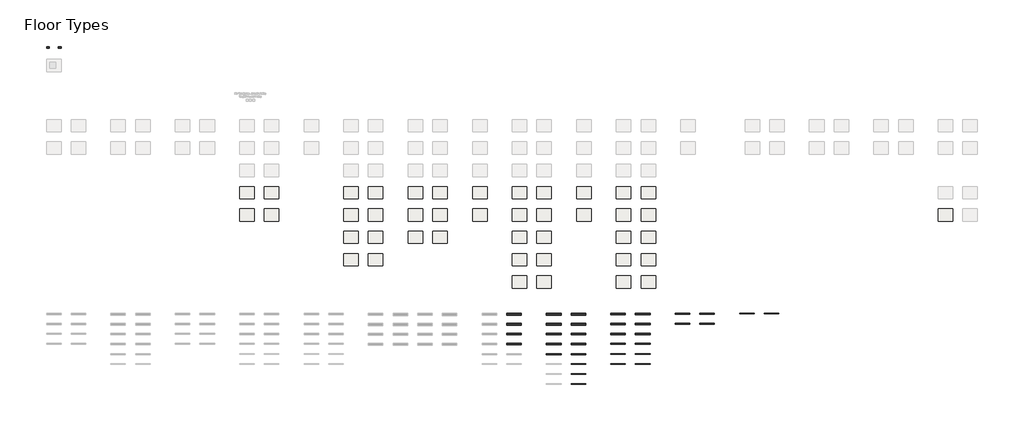
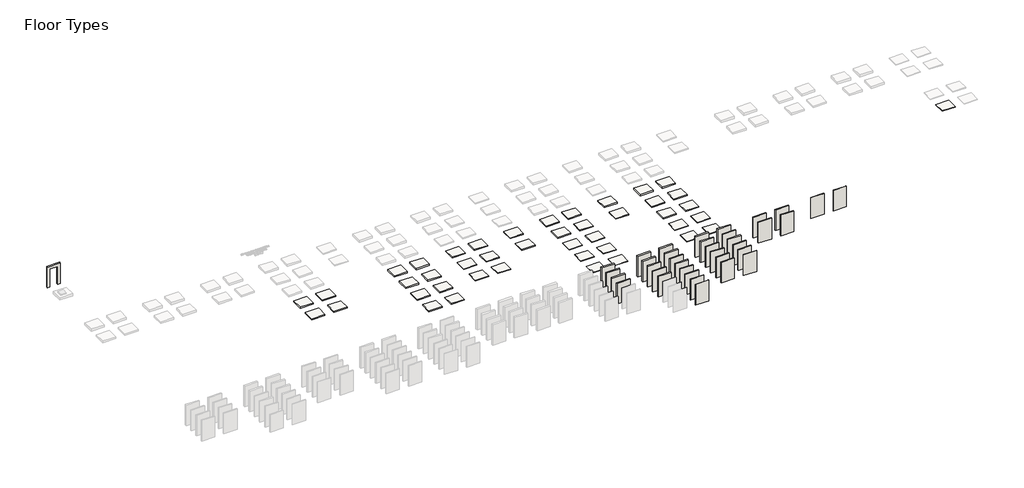
# One storey, part 2 of 3: 39 roofs, 36 walls, 4 coverings.
"""IFC4 building model written with IfcOpenShell, lengths in millimetres."""

from ifc_helpers import new_model, si_unit, frame, origin, origin_with_axes, place, context, project, spatial, polyline, outline, extrude, element, save

model = new_model("IFC4")

# Units and contexts
model_context = context("Model", 3, world=origin())
ifc_project = project(units=[si_unit("LENGTHUNIT", "METRE", prefix="MILLI")], contexts=[model_context])

# Site, building, storey
site = spatial("IfcSite", under=ifc_project)
building = spatial("IfcBuilding", under=site)
storey = spatial("IfcBuildingStorey", under=building, Name="Floor Types", Elevation=0.0)

# Coverings
placement = place(None, origin())
element("IfcCovering", 1, at=placement, inside=storey, context=model_context, shape_type="SweptSolid", body=[
    extrude(outline(polyline([(31426.1049085, 497.2109881), (31426.1049085, -719.9890119), (29978.2963869, -719.9890119), (29978.2963869, 497.2109881), (31426.1049085, 497.2109881)])), origin_with_axes(), (0.0, 0.0, 1.0), 100.0),
])
element("IfcCovering", 2, at=placement, inside=storey, context=model_context, shape_type="SweptSolid", body=[
    extrude(outline(polyline([(31426.1049085, -1719.9890119), (31426.1049085, -2937.1890119), (29978.2963869, -2937.1890119), (29978.2963869, -1719.9890119), (31426.1049085, -1719.9890119)])), origin_with_axes(), (0.0, 0.0, 1.0), 80.0),
])
element("IfcCovering", 3, ObjectType="IPN_KS1150NC_100mm", at=placement, inside=storey, context=model_context, shape_type="SweptSolid", body=[
    extrude(outline(polyline([(41769.5304735, -1719.9890119), (41769.5304735, -2937.1890119), (40321.7219518, -2937.1890119), (40321.7219518, -1719.9890119), (41769.5304735, -1719.9890119)])), origin_with_axes(), (0.0, 0.0, 1.0), 100.0),
])
element("IfcCovering", 4, ObjectType="IPN_KS1150NC_120mm", at=placement, inside=storey, context=model_context, shape_type="SweptSolid", body=[
    extrude(outline(polyline([(41769.5304735, 497.2109881), (41769.5304735, -719.9890119), (40321.7219518, -719.9890119), (40321.7219518, 497.2109881), (41769.5304735, 497.2109881)])), origin_with_axes(), (0.0, 0.0, 1.0), 120.0),
])

# Roofs
element("IfcRoof", 5, at=placement, inside=storey, context=model_context, shape_type="SweptSolid", body=[
    extrude(outline(polyline([(17187.0623003, 497.2109881), (18634.8708219, 497.2109881), (18634.8708219, -719.9890119), (17187.0623003, -719.9890119), (17187.0623003, 497.2109881)])), origin_with_axes(), (0.0, 0.0, 1.0), 155.0),
])
element("IfcRoof", 6, at=placement, inside=storey, context=model_context, shape_type="SweptSolid", body=[
    extrude(outline(polyline([(19634.8708219, 497.2109881), (21082.6793436, 497.2109881), (21082.6793436, -719.9890119), (19634.8708219, -719.9890119), (19634.8708219, 497.2109881)])), origin_with_axes(), (0.0, 0.0, 1.0), 155.0),
])
element("IfcRoof", 7, at=placement, inside=storey, context=model_context, shape_type="SweptSolid", body=[
    extrude(outline(polyline([(17187.0623003, -1719.9890119), (18634.8708219, -1719.9890119), (18634.8708219, -2937.1890119), (17187.0623003, -2937.1890119), (17187.0623003, -1719.9890119)])), origin_with_axes(), (0.0, 0.0, 1.0), 135.0),
])
element("IfcRoof", 8, at=placement, inside=storey, context=model_context, shape_type="SweptSolid", body=[
    extrude(outline(polyline([(19634.8708219, -1719.9890119), (21082.6793436, -1719.9890119), (21082.6793436, -2937.1890119), (19634.8708219, -2937.1890119), (19634.8708219, -1719.9890119)])), origin_with_axes(), (0.0, 0.0, 1.0), 135.0),
])
element("IfcRoof", 9, at=placement, inside=storey, context=model_context, shape_type="SweptSolid", body=[
    extrude(outline(polyline([(17187.0623003, -3937.1890119), (18634.8708219, -3937.1890119), (18634.8708219, -5154.3890119), (17187.0623003, -5154.3890119), (17187.0623003, -3937.1890119)])), origin_with_axes(), (0.0, 0.0, 1.0), 115.0),
])
element("IfcRoof", 10, at=placement, inside=storey, context=model_context, shape_type="SweptSolid", body=[
    extrude(outline(polyline([(19634.8708219, -3937.1890119), (21082.6793436, -3937.1890119), (21082.6793436, -5154.3890119), (19634.8708219, -5154.3890119), (19634.8708219, -3937.1890119)])), origin_with_axes(), (0.0, 0.0, 1.0), 115.0),
])
element("IfcRoof", 11, at=placement, inside=storey, context=model_context, shape_type="SweptSolid", body=[
    extrude(outline(polyline([(17187.0623003, -6154.3890119), (18634.8708219, -6154.3890119), (18634.8708219, -7371.5890119), (17187.0623003, -7371.5890119), (17187.0623003, -6154.3890119)])), origin_with_axes(), (0.0, 0.0, 1.0), 95.0),
])
element("IfcRoof", 12, at=placement, inside=storey, context=model_context, shape_type="SweptSolid", body=[
    extrude(outline(polyline([(19634.8708219, -6154.3890119), (21082.6793436, -6154.3890119), (21082.6793436, -7371.5890119), (19634.8708219, -7371.5890119), (19634.8708219, -6154.3890119)])), origin_with_axes(), (0.0, 0.0, 1.0), 95.0),
])
element("IfcRoof", 13, at=placement, inside=storey, context=model_context, shape_type="SweptSolid", body=[
    extrude(outline(polyline([(23582.6793436, 497.2109881), (25030.4878652, 497.2109881), (25030.4878652, -719.9890119), (23582.6793436, -719.9890119), (23582.6793436, 497.2109881)])), origin_with_axes(), (0.0, 0.0, 1.0), 100.0),
])
element("IfcRoof", 14, at=placement, inside=storey, context=model_context, shape_type="SweptSolid", body=[
    extrude(outline(polyline([(26030.4878652, 497.2109881), (27478.2963869, 497.2109881), (27478.2963869, -719.9890119), (26030.4878652, -719.9890119), (26030.4878652, 497.2109881)])), origin_with_axes(), (0.0, 0.0, 1.0), 100.0),
])
element("IfcRoof", 15, at=placement, inside=storey, context=model_context, shape_type="SweptSolid", body=[
    extrude(outline(polyline([(23582.6793436, -1719.9890119), (25030.4878652, -1719.9890119), (25030.4878652, -2937.1890119), (23582.6793436, -2937.1890119), (23582.6793436, -1719.9890119)])), origin_with_axes(), (0.0, 0.0, 1.0), 80.0),
])
element("IfcRoof", 16, at=placement, inside=storey, context=model_context, shape_type="SweptSolid", body=[
    extrude(outline(polyline([(26030.4878652, -1719.9890119), (27478.2963869, -1719.9890119), (27478.2963869, -2937.1890119), (26030.4878652, -2937.1890119), (26030.4878652, -1719.9890119)])), origin_with_axes(), (0.0, 0.0, 1.0), 80.0),
])
element("IfcRoof", 17, at=placement, inside=storey, context=model_context, shape_type="SweptSolid", body=[
    extrude(outline(polyline([(23582.6793436, -3937.1890119), (25030.4878652, -3937.1890119), (25030.4878652, -5154.3890119), (23582.6793436, -5154.3890119), (23582.6793436, -3937.1890119)])), origin_with_axes(), (0.0, 0.0, 1.0), 60.0),
])
element("IfcRoof", 18, at=placement, inside=storey, context=model_context, shape_type="SweptSolid", body=[
    extrude(outline(polyline([(26030.4878652, -3937.1890119), (27478.2963869, -3937.1890119), (27478.2963869, -5154.3890119), (26030.4878652, -5154.3890119), (26030.4878652, -3937.1890119)])), origin_with_axes(), (0.0, 0.0, 1.0), 60.0),
])
element("IfcRoof", 19, at=placement, inside=storey, context=model_context, shape_type="SweptSolid", body=[
    extrude(outline(polyline([(76247.61569, -1719.9890119), (77695.4242116, -1719.9890119), (77695.4242116, -2937.1890119), (76247.61569, -2937.1890119), (76247.61569, -1719.9890119)])), origin_with_axes(), (0.0, 0.0, 1.0), 55.0),
])
element("IfcRoof", 20, at=placement, inside=storey, context=model_context, shape_type="SweptSolid", body=[
    extrude(outline(polyline([(44269.5304735, 497.2109881), (45717.3389951, 497.2109881), (45717.3389951, -719.9890119), (44269.5304735, -719.9890119), (44269.5304735, 497.2109881)])), origin_with_axes(), (0.0, 0.0, 1.0), 135.0),
])
element("IfcRoof", 21, at=placement, inside=storey, context=model_context, shape_type="SweptSolid", body=[
    extrude(outline(polyline([(46717.3389951, 497.2109881), (48165.1475168, 497.2109881), (48165.1475168, -719.9890119), (46717.3389951, -719.9890119), (46717.3389951, 497.2109881)])), origin_with_axes(), (0.0, 0.0, 1.0), 135.0),
])
element("IfcRoof", 22, at=placement, inside=storey, context=model_context, shape_type="SweptSolid", body=[
    extrude(outline(polyline([(44269.5304735, -1719.9890119), (45717.3389951, -1719.9890119), (45717.3389951, -2937.1890119), (44269.5304735, -2937.1890119), (44269.5304735, -1719.9890119)])), origin_with_axes(), (0.0, 0.0, 1.0), 115.0),
])
element("IfcRoof", 23, at=placement, inside=storey, context=model_context, shape_type="SweptSolid", body=[
    extrude(outline(polyline([(46717.3389951, -1719.9890119), (48165.1475168, -1719.9890119), (48165.1475168, -2937.1890119), (46717.3389951, -2937.1890119), (46717.3389951, -1719.9890119)])), origin_with_axes(), (0.0, 0.0, 1.0), 115.0),
])
element("IfcRoof", 24, at=placement, inside=storey, context=model_context, shape_type="SweptSolid", body=[
    extrude(outline(polyline([(44269.5304735, -3937.1890119), (45717.3389951, -3937.1890119), (45717.3389951, -5154.3890119), (44269.5304735, -5154.3890119), (44269.5304735, -3937.1890119)])), origin_with_axes(), (0.0, 0.0, 1.0), 95.0),
])
element("IfcRoof", 25, at=placement, inside=storey, context=model_context, shape_type="SweptSolid", body=[
    extrude(outline(polyline([(46717.3389951, -3937.1890119), (48165.1475168, -3937.1890119), (48165.1475168, -5154.3890119), (46717.3389951, -5154.3890119), (46717.3389951, -3937.1890119)])), origin_with_axes(), (0.0, 0.0, 1.0), 95.0),
])
element("IfcRoof", 26, at=placement, inside=storey, context=model_context, shape_type="SweptSolid", body=[
    extrude(outline(polyline([(44269.5304735, -6154.3890119), (45717.3389951, -6154.3890119), (45717.3389951, -7371.5890119), (44269.5304735, -7371.5890119), (44269.5304735, -6154.3890119)])), origin_with_axes(), (0.0, 0.0, 1.0), 75.0),
])
element("IfcRoof", 27, at=placement, inside=storey, context=model_context, shape_type="SweptSolid", body=[
    extrude(outline(polyline([(46717.3389951, -6154.3890119), (48165.1475168, -6154.3890119), (48165.1475168, -7371.5890119), (46717.3389951, -7371.5890119), (46717.3389951, -6154.3890119)])), origin_with_axes(), (0.0, 0.0, 1.0), 75.0),
])
element("IfcRoof", 28, at=placement, inside=storey, context=model_context, shape_type="SweptSolid", body=[
    extrude(outline(polyline([(44269.5304735, -8371.5890119), (45717.3389951, -8371.5890119), (45717.3389951, -9588.7890119), (44269.5304735, -9588.7890119), (44269.5304735, -8371.5890119)])), origin_with_axes(), (0.0, 0.0, 1.0), 60.0),
])
element("IfcRoof", 29, at=placement, inside=storey, context=model_context, shape_type="SweptSolid", body=[
    extrude(outline(polyline([(46717.3389951, -8371.5890119), (48165.1475168, -8371.5890119), (48165.1475168, -9588.7890119), (46717.3389951, -9588.7890119), (46717.3389951, -8371.5890119)])), origin_with_axes(), (0.0, 0.0, 1.0), 60.0),
])
element("IfcRoof", 30, at=placement, inside=storey, context=model_context, shape_type="SweptSolid", body=[
    extrude(outline(polyline([(6843.6367353, 497.2109881), (8291.445257, 497.2109881), (8291.445257, -719.9890119), (6843.6367353, -719.9890119), (6843.6367353, 497.2109881)])), origin_with_axes(), (0.0, 0.0, 1.0), 135.0),
])
element("IfcRoof", 31, at=placement, inside=storey, context=model_context, shape_type="SweptSolid", body=[
    extrude(outline(polyline([(9291.445257, 497.2109881), (10739.2537786, 497.2109881), (10739.2537786, -719.9890119), (9291.445257, -719.9890119), (9291.445257, 497.2109881)])), origin_with_axes(), (0.0, 0.0, 1.0), 135.0),
])
element("IfcRoof", 32, at=placement, inside=storey, context=model_context, shape_type="SweptSolid", body=[
    extrude(outline(polyline([(6843.6367353, -1719.9890119), (8291.445257, -1719.9890119), (8291.445257, -2937.1890119), (6843.6367353, -2937.1890119), (6843.6367353, -1719.9890119)])), origin_with_axes(), (0.0, 0.0, 1.0), 115.0),
])
element("IfcRoof", 33, at=placement, inside=storey, context=model_context, shape_type="SweptSolid", body=[
    extrude(outline(polyline([(9291.445257, -1719.9890119), (10739.2537786, -1719.9890119), (10739.2537786, -2937.1890119), (9291.445257, -2937.1890119), (9291.445257, -1719.9890119)])), origin_with_axes(), (0.0, 0.0, 1.0), 115.0),
])
element("IfcRoof", 34, at=placement, inside=storey, context=model_context, shape_type="SweptSolid", body=[
    extrude(outline(polyline([(33926.1049085, -8371.5890119), (35373.9134302, -8371.5890119), (35373.9134302, -9588.7890119), (33926.1049085, -9588.7890119), (33926.1049085, -8371.5890119)])), origin_with_axes(), (0.0, 0.0, 1.0), 40.0),
])
element("IfcRoof", 35, at=placement, inside=storey, context=model_context, shape_type="SweptSolid", body=[
    extrude(outline(polyline([(36373.9134302, -8371.5890119), (37821.7219518, -8371.5890119), (37821.7219518, -9588.7890119), (36373.9134302, -9588.7890119), (36373.9134302, -8371.5890119)])), origin_with_axes(), (0.0, 0.0, 1.0), 40.0),
])
element("IfcRoof", 36, at=placement, inside=storey, context=model_context, shape_type="SweptSolid", body=[
    extrude(outline(polyline([(33926.1049085, -6154.3890119), (35373.9134302, -6154.3890119), (35373.9134302, -7371.5890119), (33926.1049085, -7371.5890119), (33926.1049085, -6154.3890119)])), origin_with_axes(), (0.0, 0.0, 1.0), 60.0),
])
element("IfcRoof", 37, at=placement, inside=storey, context=model_context, shape_type="SweptSolid", body=[
    extrude(outline(polyline([(33926.1049085, -3937.1890119), (35373.9134302, -3937.1890119), (35373.9134302, -5154.3890119), (33926.1049085, -5154.3890119), (33926.1049085, -3937.1890119)])), origin_with_axes(), (0.0, 0.0, 1.0), 80.0),
])
element("IfcRoof", 38, at=placement, inside=storey, context=model_context, shape_type="SweptSolid", body=[
    extrude(outline(polyline([(33926.1049085, -1719.9890119), (35373.9134302, -1719.9890119), (35373.9134302, -2937.1890119), (33926.1049085, -2937.1890119), (33926.1049085, -1719.9890119)])), origin_with_axes(), (0.0, 0.0, 1.0), 100.0),
])
element("IfcRoof", 39, at=placement, inside=storey, context=model_context, shape_type="SweptSolid", body=[
    extrude(outline(polyline([(33926.1049085, 497.2109881), (35373.9134302, 497.2109881), (35373.9134302, -719.9890119), (33926.1049085, -719.9890119), (33926.1049085, 497.2109881)])), origin_with_axes(), (0.0, 0.0, 1.0), 120.0),
])
element("IfcRoof", 40, at=placement, inside=storey, context=model_context, shape_type="SweptSolid", body=[
    extrude(outline(polyline([(36373.9134302, -6154.3890119), (37821.7219518, -6154.3890119), (37821.7219518, -7371.5890119), (36373.9134302, -7371.5890119), (36373.9134302, -6154.3890119)])), origin_with_axes(), (0.0, 0.0, 1.0), 60.0),
])
element("IfcRoof", 41, at=placement, inside=storey, context=model_context, shape_type="SweptSolid", body=[
    extrude(outline(polyline([(36373.9134302, -3937.1890119), (37821.7219518, -3937.1890119), (37821.7219518, -5154.3890119), (36373.9134302, -5154.3890119), (36373.9134302, -3937.1890119)])), origin_with_axes(), (0.0, 0.0, 1.0), 80.0),
])
element("IfcRoof", 42, at=placement, inside=storey, context=model_context, shape_type="SweptSolid", body=[
    extrude(outline(polyline([(36373.9134302, -1719.9890119), (37821.7219518, -1719.9890119), (37821.7219518, -2937.1890119), (36373.9134302, -2937.1890119), (36373.9134302, -1719.9890119)])), origin_with_axes(), (0.0, 0.0, 1.0), 100.0),
])
element("IfcRoof", 43, at=placement, inside=storey, context=model_context, shape_type="SweptSolid", body=[
    extrude(outline(polyline([(36373.9134302, 497.2109881), (37821.7219518, 497.2109881), (37821.7219518, -719.9890119), (36373.9134302, -719.9890119), (36373.9134302, 497.2109881)])), origin_with_axes(), (0.0, 0.0, 1.0), 120.0),
])

# Walls
element("IfcWall", 44, at=placement, inside=storey, context=model_context, shape_type="SweptSolid", body=[
    extrude(outline(polyline([(45165.1475168, -12238.7890119), (43717.3389951, -12238.7890119), (43717.3389951, -12088.7890119), (45165.1475168, -12088.7890119), (45165.1475168, -12238.7890119)])), origin_with_axes(), (0.0, 0.0, 1.0), 2400.0),
])
element("IfcWall", 45, at=placement, inside=storey, context=model_context, shape_type="SweptSolid", body=[
    extrude(outline(polyline([(47612.9560384, -12238.7890119), (46165.1475168, -12238.7890119), (46165.1475168, -12088.7890119), (47612.9560384, -12088.7890119), (47612.9560384, -12238.7890119)])), origin_with_axes(), (0.0, 0.0, 1.0), 2400.0),
])
element("IfcWall", 46, at=placement, inside=storey, context=model_context, shape_type="SweptSolid", body=[
    extrude(outline(polyline([(45165.1475168, -13228.7890119), (43717.3389951, -13228.7890119), (43717.3389951, -13088.7890119), (45165.1475168, -13088.7890119), (45165.1475168, -13228.7890119)])), origin_with_axes(), (0.0, 0.0, 1.0), 2400.0),
])
element("IfcWall", 47, at=placement, inside=storey, context=model_context, shape_type="SweptSolid", body=[
    extrude(outline(polyline([(47612.9560384, -13228.7890119), (46165.1475168, -13228.7890119), (46165.1475168, -13088.7890119), (47612.9560384, -13088.7890119), (47612.9560384, -13228.7890119)])), origin_with_axes(), (0.0, 0.0, 1.0), 2400.0),
])
element("IfcWall", 48, at=placement, inside=storey, context=model_context, shape_type="SweptSolid", body=[
    extrude(outline(polyline([(45165.1475168, -14208.7890119), (43717.3389951, -14208.7890119), (43717.3389951, -14088.7890119), (45165.1475168, -14088.7890119), (45165.1475168, -14208.7890119)])), origin_with_axes(), (0.0, 0.0, 1.0), 2400.0),
])
element("IfcWall", 49, at=placement, inside=storey, context=model_context, shape_type="SweptSolid", body=[
    extrude(outline(polyline([(47612.9560384, -14208.7890119), (46165.1475168, -14208.7890119), (46165.1475168, -14088.7890119), (47612.9560384, -14088.7890119), (47612.9560384, -14208.7890119)])), origin_with_axes(), (0.0, 0.0, 1.0), 2400.0),
])
element("IfcWall", 50, at=placement, inside=storey, context=model_context, shape_type="SweptSolid", body=[
    extrude(outline(polyline([(45165.1475168, -15188.7890119), (43717.3389951, -15188.7890119), (43717.3389951, -15088.7890119), (45165.1475168, -15088.7890119), (45165.1475168, -15188.7890119)])), origin_with_axes(), (0.0, 0.0, 1.0), 2400.0),
])
element("IfcWall", 51, at=placement, inside=storey, context=model_context, shape_type="SweptSolid", body=[
    extrude(outline(polyline([(47612.9560384, -15188.7890119), (46165.1475168, -15188.7890119), (46165.1475168, -15088.7890119), (47612.9560384, -15088.7890119), (47612.9560384, -15188.7890119)])), origin_with_axes(), (0.0, 0.0, 1.0), 2400.0),
])
element("IfcWall", 52, at=placement, inside=storey, context=model_context, shape_type="SweptSolid", body=[
    extrude(outline(polyline([(45165.1475168, -16168.7890119), (43717.3389951, -16168.7890119), (43717.3389951, -16088.7890119), (45165.1475168, -16088.7890119), (45165.1475168, -16168.7890119)])), origin_with_axes(), (0.0, 0.0, 1.0), 2400.0),
])
element("IfcWall", 53, at=placement, inside=storey, context=model_context, shape_type="SweptSolid", body=[
    extrude(outline(polyline([(47612.9560384, -16168.7890119), (46165.1475168, -16168.7890119), (46165.1475168, -16088.7890119), (47612.9560384, -16088.7890119), (47612.9560384, -16168.7890119)])), origin_with_axes(), (0.0, 0.0, 1.0), 2400.0),
])
element("IfcWall", 54, at=placement, inside=storey, context=model_context, shape_type="SweptSolid", body=[
    extrude(outline(polyline([(45165.1475168, -17148.7890119), (43717.3389951, -17148.7890119), (43717.3389951, -17088.7890119), (45165.1475168, -17088.7890119), (45165.1475168, -17148.7890119)])), origin_with_axes(), (0.0, 0.0, 1.0), 2400.0),
])
element("IfcWall", 55, at=placement, inside=storey, context=model_context, shape_type="SweptSolid", body=[
    extrude(outline(polyline([(47612.9560384, -17148.7890119), (46165.1475168, -17148.7890119), (46165.1475168, -17088.7890119), (47612.9560384, -17088.7890119), (47612.9560384, -17148.7890119)])), origin_with_axes(), (0.0, 0.0, 1.0), 2400.0),
])
element("IfcWall", 56, at=placement, inside=storey, context=model_context, shape_type="SweptSolid", body=[
    extrude(outline(polyline([(34821.7219518, -12288.7890119), (33373.9134302, -12288.7890119), (33373.9134302, -12088.7890119), (34821.7219518, -12088.7890119), (34821.7219518, -12288.7890119)])), origin_with_axes(), (0.0, 0.0, 1.0), 2400.0),
])
element("IfcWall", 57, at=placement, inside=storey, context=model_context, shape_type="SweptSolid", body=[
    extrude(outline(polyline([(34821.7219518, -13258.7890119), (33373.9134302, -13258.7890119), (33373.9134302, -13088.7890119), (34821.7219518, -13088.7890119), (34821.7219518, -13258.7890119)])), origin_with_axes(), (0.0, 0.0, 1.0), 2400.0),
])
element("IfcWall", 58, at=placement, inside=storey, context=model_context, shape_type="SweptSolid", body=[
    extrude(outline(polyline([(34821.7219518, -14238.7890119), (33373.9134302, -14238.7890119), (33373.9134302, -14088.7890119), (34821.7219518, -14088.7890119), (34821.7219518, -14238.7890119)])), origin_with_axes(), (0.0, 0.0, 1.0), 2400.0),
])
element("IfcWall", 59, at=placement, inside=storey, context=model_context, shape_type="SweptSolid", body=[
    extrude(outline(polyline([(34821.7219518, -15208.7890119), (33373.9134302, -15208.7890119), (33373.9134302, -15088.7890119), (34821.7219518, -15088.7890119), (34821.7219518, -15208.7890119)])), origin_with_axes(), (0.0, 0.0, 1.0), 2400.0),
])
element("IfcWall", 60, at=placement, inside=storey, context=model_context, shape_type="SweptSolid", body=[
    extrude(outline(polyline([(38769.5304735, -12288.7890119), (37321.7219518, -12288.7890119), (37321.7219518, -12088.7890119), (38769.5304735, -12088.7890119), (38769.5304735, -12288.7890119)])), origin_with_axes(), (0.0, 0.0, 1.0), 2400.0),
])
element("IfcWall", 61, at=placement, inside=storey, context=model_context, shape_type="SweptSolid", body=[
    extrude(outline(polyline([(41217.3389951, -12288.7890119), (39769.5304735, -12288.7890119), (39769.5304735, -12088.7890119), (41217.3389951, -12088.7890119), (41217.3389951, -12288.7890119)])), origin_with_axes(), (0.0, 0.0, 1.0), 2400.0),
])
element("IfcWall", 62, at=placement, inside=storey, context=model_context, shape_type="SweptSolid", body=[
    extrude(outline(polyline([(38769.5304735, -13258.7890119), (37321.7219518, -13258.7890119), (37321.7219518, -13088.7890119), (38769.5304735, -13088.7890119), (38769.5304735, -13258.7890119)])), origin_with_axes(), (0.0, 0.0, 1.0), 2400.0),
])
element("IfcWall", 63, at=placement, inside=storey, context=model_context, shape_type="SweptSolid", body=[
    extrude(outline(polyline([(41217.3389951, -13258.7890119), (39769.5304735, -13258.7890119), (39769.5304735, -13088.7890119), (41217.3389951, -13088.7890119), (41217.3389951, -13258.7890119)])), origin_with_axes(), (0.0, 0.0, 1.0), 2400.0),
])
element("IfcWall", 64, at=placement, inside=storey, context=model_context, shape_type="SweptSolid", body=[
    extrude(outline(polyline([(38769.5304735, -14238.7890119), (37321.7219518, -14238.7890119), (37321.7219518, -14088.7890119), (38769.5304735, -14088.7890119), (38769.5304735, -14238.7890119)])), origin_with_axes(), (0.0, 0.0, 1.0), 2400.0),
])
element("IfcWall", 65, at=placement, inside=storey, context=model_context, shape_type="SweptSolid", body=[
    extrude(outline(polyline([(41217.3389951, -14238.7890119), (39769.5304735, -14238.7890119), (39769.5304735, -14088.7890119), (41217.3389951, -14088.7890119), (41217.3389951, -14238.7890119)])), origin_with_axes(), (0.0, 0.0, 1.0), 2400.0),
])
element("IfcWall", 66, at=placement, inside=storey, context=model_context, shape_type="SweptSolid", body=[
    extrude(outline(polyline([(38769.5304735, -15208.7890119), (37321.7219518, -15208.7890119), (37321.7219518, -15088.7890119), (38769.5304735, -15088.7890119), (38769.5304735, -15208.7890119)])), origin_with_axes(), (0.0, 0.0, 1.0), 2400.0),
])
element("IfcWall", 67, at=placement, inside=storey, context=model_context, shape_type="SweptSolid", body=[
    extrude(outline(polyline([(41217.3389951, -15208.7890119), (39769.5304735, -15208.7890119), (39769.5304735, -15088.7890119), (41217.3389951, -15088.7890119), (41217.3389951, -15208.7890119)])), origin_with_axes(), (0.0, 0.0, 1.0), 2400.0),
])
element("IfcWall", 68, at=placement, inside=storey, context=model_context, shape_type="SweptSolid", body=[
    extrude(outline(polyline([(38769.5304735, -16188.7890119), (37321.7219518, -16188.7890119), (37321.7219518, -16088.7890119), (38769.5304735, -16088.7890119), (38769.5304735, -16188.7890119)])), origin_with_axes(), (0.0, 0.0, 1.0), 2400.0),
])
element("IfcWall", 69, at=placement, inside=storey, context=model_context, shape_type="SweptSolid", body=[
    extrude(outline(polyline([(41217.3389951, -16188.7890119), (39769.5304735, -16188.7890119), (39769.5304735, -16088.7890119), (41217.3389951, -16088.7890119), (41217.3389951, -16188.7890119)])), origin_with_axes(), (0.0, 0.0, 1.0), 2400.0),
])
element("IfcWall", 70, at=placement, inside=storey, context=model_context, shape_type="SweptSolid", body=[
    extrude(outline(polyline([(41217.3389951, -17168.7890119), (39769.5304735, -17168.7890119), (39769.5304735, -17088.7890119), (41217.3389951, -17088.7890119), (41217.3389951, -17168.7890119)])), origin_with_axes(), (0.0, 0.0, 1.0), 2400.0),
])
element("IfcWall", 71, at=placement, inside=storey, context=model_context, shape_type="SweptSolid", body=[
    extrude(outline(polyline([(41217.3389951, -18148.7890119), (39769.5304735, -18148.7890119), (39769.5304735, -18088.7890119), (41217.3389951, -18088.7890119), (41217.3389951, -18148.7890119)])), origin_with_axes(), (0.0, 0.0, 1.0), 2400.0),
])
element("IfcWall", 72, at=placement, inside=storey, context=model_context, shape_type="SweptSolid", body=[
    extrude(outline(polyline([(41217.3389951, -19128.7890119), (39769.5304735, -19128.7890119), (39769.5304735, -19088.7890119), (41217.3389951, -19088.7890119), (41217.3389951, -19128.7890119)])), origin_with_axes(), (0.0, 0.0, 1.0), 2400.0),
])
element("IfcWall", 73, at=placement, inside=storey, context=model_context, shape_type="SweptSolid", body=[
    extrude(outline(polyline([(57956.3816034, -12126.7890119), (56508.5730817, -12126.7890119), (56508.5730817, -12088.7890119), (57956.3816034, -12088.7890119), (57956.3816034, -12126.7890119)])), origin_with_axes(), (0.0, 0.0, 1.0), 2400.0),
])
element("IfcWall", 74, at=placement, inside=storey, context=model_context, shape_type="SweptSolid", body=[
    extrude(outline(polyline([(60404.190125, -12126.7890119), (58956.3816034, -12126.7890119), (58956.3816034, -12088.7890119), (60404.190125, -12088.7890119), (60404.190125, -12126.7890119)])), origin_with_axes(), (0.0, 0.0, 1.0), 2400.0),
])
element("IfcWall", 75, at=placement, inside=storey, context=model_context, shape_type="SweptSolid", body=[
    extrude(outline(polyline([(51560.7645601, -12208.7890119), (50112.9560384, -12208.7890119), (50112.9560384, -12088.7890119), (51560.7645601, -12088.7890119), (51560.7645601, -12208.7890119)])), origin_with_axes(), (0.0, 0.0, 1.0), 2400.0),
])
element("IfcWall", 76, at=placement, inside=storey, context=model_context, shape_type="SweptSolid", body=[
    extrude(outline(polyline([(54008.5730817, -12208.7890119), (52560.7645601, -12208.7890119), (52560.7645601, -12088.7890119), (54008.5730817, -12088.7890119), (54008.5730817, -12208.7890119)])), origin_with_axes(), (0.0, 0.0, 1.0), 2400.0),
])
element("IfcWall", 77, at=placement, inside=storey, context=model_context, shape_type="SweptSolid", body=[
    extrude(outline(polyline([(51560.7645601, -13188.7890119), (50112.9560384, -13188.7890119), (50112.9560384, -13088.7890119), (51560.7645601, -13088.7890119), (51560.7645601, -13188.7890119)])), origin_with_axes(), (0.0, 0.0, 1.0), 2400.0),
])
element("IfcWall", 78, at=placement, inside=storey, context=model_context, shape_type="SweptSolid", body=[
    extrude(outline(polyline([(54008.5730817, -13188.7890119), (52560.7645601, -13188.7890119), (52560.7645601, -13088.7890119), (54008.5730817, -13088.7890119), (54008.5730817, -13188.7890119)])), origin_with_axes(), (0.0, 0.0, 1.0), 2400.0),
])
element("IfcWall", 79, at=placement, inside=storey, context=model_context, shape_type="SweptSolid", body=[
    extrude(outline(polyline([(0.0, -10895.4058729), (2400.0, -10895.4058729), (2400.0, -12343.2143946), (0.0, -12343.2143946), (0.0, -12095.4058729), (2100.0, -12095.4058729), (2100.0, -11195.4058729), (0.0, -11195.4058729), (0.0, -10895.4058729)])), frame((0.0, 14261.2109881, 0.0), z_axis=(0.0, 1.0, 0.0), x_axis=(0.0, 0.0, 1.0)), (0.0, 0.0, 1.0), 150.0),
])

save(model, "model.ifc")
